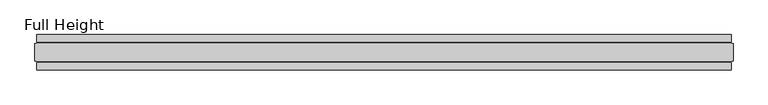
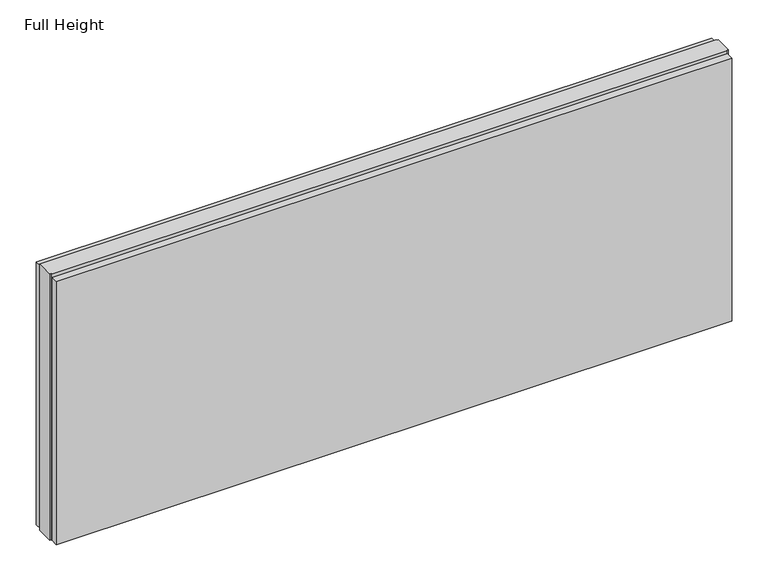
"""IFC4 building model written with IfcOpenShell, lengths in millimetres: plate geometry, Full Height."""

from ifc_helpers import new_model, si_unit, origin, origin_with_axes, place, context, project, spatial, polyline, outline, extrude, source, transform, mapped, element, save


def full_height_a1b7aee6(model_context):
    return source(origin(), model_context, "Body", "SweptSolid", [
        extrude(outline(polyline([(977.5613333, 28.956), (-977.5613333, 28.956), (-977.5613333, 49.53), (977.5613333, 49.53), (977.5613333, 28.956)])), origin_with_axes(), (0.0, 0.0, 1.0), 806.196),
        extrude(outline(polyline([(977.5613333, -28.956), (977.5613333, -49.53), (-977.5613333, -49.53), (-977.5613333, -28.956), (977.5613333, -28.956)])), origin_with_axes(), (0.0, 0.0, 1.0), 806.196),
        extrude(outline(polyline([(977.5613333, -25.146), (977.5613333, -26.67), (-977.5613333, -26.67), (-977.5613333, -25.146), (-982.1333333, -25.146), (-982.1333333, 25.146), (-977.5613333, 25.146), (-977.5613333, 26.67), (977.5613333, 26.67), (977.5613333, 25.146), (982.1333333, 25.146), (982.1333333, -25.146), (977.5613333, -25.146)])), origin_with_axes(), (0.0, 0.0, 1.0), 815.34),
    ])


if __name__ == "__main__":
    model = new_model("IFC4")
    model_context = context("Model", 3, world=origin())
    ifc_project = project(units=[si_unit("LENGTHUNIT", "METRE", prefix="MILLI")], contexts=[model_context])
    site = spatial("IfcSite", under=ifc_project)
    building = spatial("IfcBuilding", under=site)
    placement = place(None, origin())
    full_height_shape = full_height_a1b7aee6(model_context)
    element("IfcPlate", 1, ObjectType="Full Height", at=placement, inside=building, context=model_context, shape_type="MappedRepresentation", body=[
        mapped(full_height_shape, transform((0.0, 0.0, 0.0), x_axis=(1.0, 0.0, 0.0), y_axis=(0.0, 1.0, 0.0), z_axis=(0.0, 0.0, 1.0))),
    ])
    save(model, "model.ifc")
